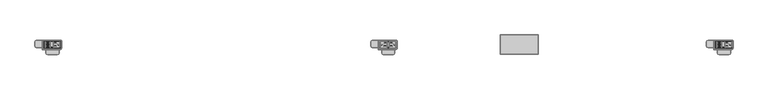
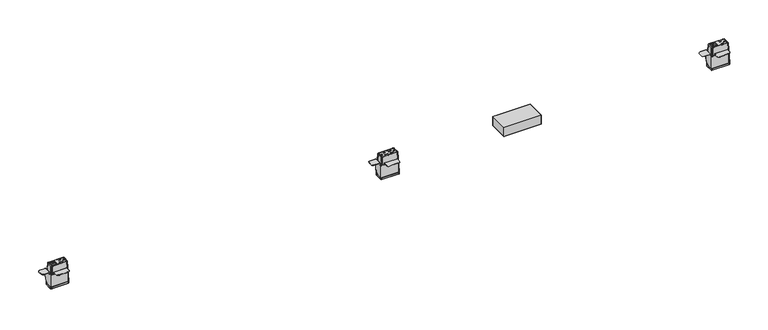
"""IFC4 building model written with IfcOpenShell, lengths in millimetres: furniture geometry."""

from ifc_helpers import new_model, si_unit, origin, place, context, project, spatial, triangles, source, transform, mapped, element, save


def furniture_85e596a5(model_context):
    return source(origin(), model_context, "Body", "Tessellation", [
        triangles([(-1384.2999516, -14.2235992, 2.189245), (-1360.8364128, -12.0812961, 2.2463646), (-1382.3914925, -12.0812961, 2.2463646), (-1382.3914925, 11.9785305, 2.1326152), (-1384.2999516, 14.2244009, 2.189245), (-1360.8364128, 11.9785305, 2.1326152), (-1360.8364128, -12.0836976, 1.7383702), (-1360.8364128, 11.9761279, 1.6246208), (-1382.3914925, -12.0836976, 1.7383702), (-1382.3914925, 11.9761279, 1.6246208), (-1363.6765011, 9.1385382, 2.146042), (-1363.6765011, -9.2413038, 2.2329377), (-1379.5515495, -9.2413038, 2.2329377), (-1379.5515495, 9.1385382, 2.146042), (-1379.5515495, 2.788609, 2.176063), (-1379.5515495, -2.8913751, 2.2029167), (-1363.6765011, -2.8913751, 2.2029167), (-1363.6765011, 2.788609, 2.176063), (-1363.6765011, 2.7549855, -4.9358577), (-1363.6765011, 9.1049147, -4.9658783), (-1379.5515495, 9.1050538, -4.9658794), (-1379.5515495, 2.7549855, -4.9358577), (-1363.6765011, -9.2749278, -4.8789826), (-1363.6765011, -2.9249986, -4.9090038), (-1379.5515495, -2.9248592, -4.9090044), (-1379.5515495, -9.2749278, -4.8789826), (-1347.3112209, -13.5884477, 2.2534901), (-1349.5972733, -11.3024726, 2.2426824), (-1349.5972733, 11.3032742, 2.1358076), (-1347.3112209, 13.5892493, 2.125), (-1324.705188, 13.5892493, 2.125), (-1323.0859554, 14.2244009, 2.189245), (-1322.419281, 11.3032742, 2.1358076), (-1320.038031, 11.1764004, 2.189245), (-1322.419281, -11.3024726, 2.2426824), (-1320.038031, -11.1755987, 2.189245), (-1324.705188, -13.5884477, 2.2534901), (-1323.0859554, -14.2235992, 2.189245), (-1387.3480213, -11.1755987, 2.189245), (-1387.3480213, 11.1764004, 2.189245), (-1322.419281, -11.3090742, 0.846303), (-1322.419281, 11.2966726, 0.7394281), (-1324.705188, 13.5826477, 0.7286206), (-1347.3112209, 13.5826477, 0.7286206), (-1349.5972733, 11.2966726, 0.7394281), (-1349.5972733, -11.3090742, 0.846303), (-1347.3112209, -13.5950493, 0.8571106), (-1324.705188, -13.5950493, 0.8571106), (-1344.974445, 4.5977495, 2.1675098), (-1344.974445, 4.5839428, -0.752813), (-1344.974445, 7.4425179, 2.1540604), (-1344.974445, 7.4287111, -0.7662625), (-1337.3036922, 4.5977495, 2.1675098), (-1337.3036922, 4.5839428, -0.752813), (-1337.3036922, 7.4425179, 2.1540604), (-1337.3036922, 7.4287111, -0.7662625), (-1328.2357864, 2.6165716, 2.1768763), (-1328.2357864, 2.6027651, -0.7434465), (-1325.9753139, 2.6027651, -0.7434465), (-1325.9753139, 2.6165716, 2.1768763), (-1329.2370335, 2.4174274, 2.1778179), (-1329.2370335, 2.403621, -0.742505), (-1330.0858189, 1.850313, 2.180499), (-1330.0858189, 1.8365063, -0.7398238), (-1330.6529354, 1.0015661, 2.1845118), (-1330.6529354, 0.9877594, -0.7358111), (-1330.8520512, 0.0004009, 2.189245), (-1330.8520512, -0.0134058, -0.7310778), (-1330.6529354, -1.0007643, 2.1939783), (-1330.6529354, -1.014571, -0.7263445), (-1330.0858189, -1.8495112, 2.1979911), (-1330.0858189, -1.8633178, -0.7223318), (-1329.2370335, -2.4166258, 2.2006722), (-1329.2370335, -2.4304322, -0.7196506), (-1328.2357864, -2.6157699, 2.2016136), (-1328.2357864, -2.6295764, -0.7187092), (-1325.9753139, -2.6157699, 2.2016136), (-1325.9753139, -2.6295764, -0.7187092), (-1336.6432674, -5.3081397, 2.2143427), (-1336.6432674, -5.3219465, -0.7059802), (-1336.6432674, -8.1667146, -0.6925308), (-1336.6432674, -8.1529078, 2.227792), (-1345.8887787, -5.3081397, 2.2143427), (-1345.8887787, -5.3219465, -0.7059802), (-1345.8887787, -8.1529078, 2.227792), (-1345.8887787, -8.1667146, -0.6925308), (-1388.2370659, -18.097099, -91.7907544), (-1388.2370659, 18.0979006, -91.7907544), (-1319.1489864, 18.0979006, -91.7907544), (-1319.1489864, -18.097099, -91.7907544), (-1316.101062, 15.0499012, -91.7907544), (-1316.101062, -15.0490996, -91.7907544), (-1316.509322, -16.5730993, -91.7907544), (-1316.509322, 16.5739009, -91.7907544), (-1317.6249516, -17.6887447, -91.7907544), (-1317.6249516, 17.6895464, -91.7907544), (-1389.7609554, -17.6887447, -91.7907544), (-1389.7609554, 17.6895464, -91.7907544), (-1390.876585, -16.5730993, -91.7907544), (-1390.876585, 16.5739009, -91.7907544), (-1391.2849903, -15.0490996, -91.7907544), (-1391.2849903, 15.0499012, -91.7907544), (-1385.8239864, 13.8160467, 2.189245), (-1386.939616, 12.7004012, 2.189245), (-1385.8239864, -13.815245, 2.189245), (-1386.939616, -12.6995996, 2.189245), (-1321.5620659, -13.815245, 2.189245), (-1320.446291, -12.6995996, 2.189245), (-1320.446291, 12.7004012, 2.189245), (-1321.5620659, 13.8160467, 2.189245), (-1316.101062, -15.0490996, -84.1707526), (-1316.509322, -16.5730993, -84.1707526), (-1317.6249516, -17.6887447, -84.1707526), (-1319.1489864, -18.097099, -84.1707526), (-1391.2849903, -15.0490996, -84.1707526), (-1390.876585, -16.5730993, -84.1707526), (-1389.7609554, -17.6887447, -84.1707526), (-1388.2370659, -18.097099, -84.1707526), (-1391.2849903, 15.0499012, -84.1707526), (-1390.876585, 16.5739009, -84.1707526), (-1389.7609554, 17.6895464, -84.1707526), (-1388.2370659, 18.0979006, -84.1707526), (-1316.101062, 15.0499012, -84.1707526), (-1316.509322, 16.5739009, -84.1707526), (-1317.6249516, 17.6895464, -84.1707526), (-1319.1489864, 18.0979006, -84.1707526), (-30.6070003, 14.2242669, 2.189245), (-30.6070003, 11.3032742, 2.0823701), (-28.3210002, 13.5892493, 2.0715626), (6.3817502, 13.5892493, 2.125), (-5.7150002, 13.5892493, 2.0715626), (-3.4290001, 11.3032742, 2.0823701), (4.0957501, 11.3032742, 2.1358076), (30.6070003, 14.2244009, 2.189245), (28.9877496, 13.5892493, 2.125), (4.0957501, -11.3024726, 2.2426824), (-3.4290001, -11.3024726, 2.189245), (-5.7150002, -13.5884477, 2.2000526), (6.3817502, -13.5884477, 2.2534901), (28.9877496, -13.5884477, 2.2534901), (-28.3210002, -13.5884477, 2.2000526), (-30.6070003, -14.2235992, 2.189245), (30.6070003, -14.2235992, 2.189245), (-30.6070003, -11.3024726, 2.189245), (-30.6070003, 11.3032867, 0.6859907), (-30.6070003, -11.3024726, 0.7928656), (-28.3210002, 13.5892482, 0.6751832), (-5.7150002, 13.589213, 0.6751832), (-3.4290001, 11.3031482, 0.6859907), (-3.4290001, -11.3024805, 0.7928656), (-5.7150002, -13.5884965, 0.8036732), (-28.3210002, -13.5884545, 0.8036732), (-8.0518, 7.4425179, 2.1006229), (-8.0518, 7.4287111, -0.8196999), (-8.0518, 4.5839428, -0.8062505), (-8.0518, 4.5977495, 2.1140724), (-15.7226004, 4.5977495, 2.1140724), (-15.7226004, 4.5839428, -0.8062505), (-15.7226004, 7.4425179, 2.1006229), (-15.7226004, 7.4287111, -0.8196999), (-27.0509992, 2.6165716, 2.1234389), (-27.0509992, 2.6027651, -0.7968839), (-24.7903995, 2.6027651, -0.7968839), (-24.7903995, 2.6165716, 2.1234389), (-23.7892229, 2.403621, -0.7959424), (-23.7892229, 2.4174274, 2.1243805), (-22.940467, 1.8365063, -0.7932612), (-22.940467, 1.850313, 2.1270616), (-22.3733459, 0.9877594, -0.7892485), (-22.3733459, 1.0015661, 2.1310744), (-22.1742007, -0.0134058, -0.7845153), (-22.1742007, 0.0004009, 2.1358076), (-22.3733459, -1.014571, -0.7797819), (-22.3733459, -1.0007643, 2.1405409), (-22.940467, -1.8633178, -0.7757692), (-22.940467, -1.8495112, 2.1445536), (-23.7892229, -2.4304322, -0.773088), (-23.7892229, -2.4166258, 2.1472348), (-24.7903995, -2.6295764, -0.7721466), (-24.7903995, -2.6157699, 2.1481762), (-27.0509992, -2.6295764, -0.7721466), (-27.0509992, -2.6157699, 2.1481762), (-16.3830003, -8.1529078, 2.1743546), (-16.3830003, -8.1667146, -0.7459682), (-16.3830003, -5.3219465, -0.7594176), (-16.3830003, -5.3081397, 2.1609052), (-7.1373999, -5.3219465, -0.7594176), (-7.1373999, -5.3081397, 2.1609052), (-7.1373999, -8.1667146, -0.7459682), (-7.1373999, -8.1529078, 2.1743546), (31.2737497, 11.3032742, 2.1358076), (33.6549997, 11.1764004, 2.189245), (31.2737497, -11.3024726, 2.2426824), (33.6549997, -11.1755987, 2.189245), (-33.6549997, -11.1755987, 2.189245), (-33.6549997, 11.1764004, 2.189245), (31.2737497, -11.3023783, 0.846303), (31.2737497, 11.3032095, 0.7394281), (28.9877496, 13.5891903, 0.7286206), (6.3817502, 13.5891233, 0.7286206), (4.0957501, 11.3032379, 0.7394281), (4.0957501, -11.3024601, 0.846303), (6.3817502, -13.5885987, 0.8571106), (28.9877496, -13.5884341, 0.8571106), (8.71855, 4.5977495, 2.1675098), (8.71855, 4.5839428, -0.752813), (8.71855, 7.4425179, 2.1540604), (8.71855, 7.4287111, -0.7662625), (16.3893498, 4.5977495, 2.1675098), (16.3893498, 4.5839428, -0.752813), (16.3893498, 7.4425179, 2.1540604), (16.3893498, 7.4287111, -0.7662625), (25.4571489, 2.6165716, 2.1768763), (25.4571489, 2.6027651, -0.7434465), (27.7177508, 2.6027651, -0.7434465), (27.7177508, 2.6165716, 2.1768763), (24.4559745, 2.4174274, 2.1778179), (24.4559745, 2.403621, -0.742505), (23.6072164, 1.850313, 2.180499), (23.6072164, 1.8365063, -0.7398238), (23.0400953, 1.0015661, 2.1845118), (23.0400953, 0.9877594, -0.7358111), (22.84095, 0.0004009, 2.189245), (22.84095, -0.0134058, -0.7310778), (23.0400953, -1.0007643, 2.1939783), (23.0400953, -1.014571, -0.7263445), (23.6072164, -1.8495112, 2.1979911), (23.6072164, -1.8633178, -0.7223318), (24.4559745, -2.4166258, 2.2006722), (24.4559745, -2.4304322, -0.7196506), (25.4571489, -2.6157699, 2.2016136), (25.4571489, -2.6295764, -0.7187092), (27.7177508, -2.6157699, 2.2016136), (27.7177508, -2.6295764, -0.7187092), (17.0497496, -5.3081397, 2.2143427), (17.0497496, -5.3219465, -0.7059802), (17.0497496, -8.1667146, -0.6925308), (17.0497496, -8.1529078, 2.227792), (7.8041498, -5.3081397, 2.2143427), (7.8041498, -5.3219465, -0.7059802), (7.8041498, -8.1529078, 2.227792), (7.8041498, -8.1667146, -0.6925308), (-34.5440011, -18.097099, -91.7907544), (-34.5440011, 18.0979006, -91.7907544), (34.5440011, 18.0979006, -91.7907544), (34.5440011, -18.097099, -91.7907544), (37.5920005, 15.0499012, -91.7907544), (37.5920005, -15.0490996, -91.7907544), (37.1836451, 16.5739009, -91.7907544), (37.1836451, -16.5730993, -91.7907544), (36.0679997, -17.6887447, -91.7907544), (36.0679997, 17.6895464, -91.7907544), (-36.0679997, -17.6887447, -91.7907544), (-36.0679997, 17.6895464, -91.7907544), (-37.1836451, -16.5730993, -91.7907544), (-37.1836451, 16.5739009, -91.7907544), (-37.5920005, -15.0490996, -91.7907544), (-37.5920005, 15.0499012, -91.7907544), (-32.1309989, 13.8160467, 2.189245), (-33.2466444, 12.7004012, 2.189245), (-32.1309989, -13.815245, 2.189245), (-33.2466444, -12.6995996, 2.189245), (32.1309989, -13.815245, 2.189245), (33.2466444, -12.6995996, 2.189245), (33.2466444, 12.7004012, 2.189245), (32.1309989, 13.8160467, 2.189245), (37.5920005, -15.0490996, -84.1707526), (37.1836451, -16.5730993, -84.1707526), (36.0679997, -17.6887447, -84.1707526), (34.5440011, -18.097099, -84.1707526), (-37.5920005, -15.0490996, -84.1707526), (-37.1836451, -16.5730993, -84.1707526), (-36.0679997, -17.6887447, -84.1707526), (-34.5440011, -18.097099, -84.1707526), (-37.5920005, 15.0499012, -84.1707526), (-37.1836451, 16.5739009, -84.1707526), (-36.0679997, 17.6895464, -84.1707526), (-34.5440011, 18.0979006, -84.1707526), (37.5920005, 15.0499012, -84.1707526), (37.1836451, 16.5739009, -84.1707526), (36.0679997, 17.6895464, -84.1707526), (34.5440011, 18.0979006, -84.1707526), (1323.0859554, -14.2235992, 2.189245), (1346.5494942, -12.0812961, 2.2463646), (1324.9944145, -12.0812961, 2.2463646), (1324.9944145, 11.9785305, 2.1326152), (1323.0859554, 14.2244009, 2.189245), (1346.5494942, 11.9785305, 2.1326152), (1346.5494942, -12.0836976, 1.7383702), (1346.5494942, 11.9761279, 1.6246208), (1324.9944145, -12.0836976, 1.7383702), (1324.9944145, 11.9761279, 1.6246208), (1343.7095512, 9.1385382, 2.146042), (1343.7095512, -9.2413038, 2.2329377), (1327.8345028, -9.2413038, 2.2329377), (1327.8345028, 9.1385382, 2.146042), (1327.8345028, 2.788609, 2.176063), (1327.8345028, -2.8913751, 2.2029167), (1343.7095512, -2.8913751, 2.2029167), (1343.7095512, 2.788609, 2.176063), (1343.7095512, 2.7549855, -4.9358577), (1343.7095512, 9.1049147, -4.9658783), (1327.8345028, 9.1050538, -4.9658794), (1327.8345028, 2.7549855, -4.9358577), (1343.7095512, -9.2749278, -4.8789826), (1343.7095512, -2.9249986, -4.9090038), (1327.8345028, -2.9248592, -4.9090044), (1327.8345028, -9.2749278, -4.8789826), (1360.0746861, -13.5884477, 2.2534901), (1357.7887791, -11.3024726, 2.2426824), (1357.7887791, 11.3032742, 2.1358076), (1360.0746861, 13.5892493, 2.125), (1382.680719, 13.5892493, 2.125), (1384.2999516, 14.2244009, 2.189245), (1384.9667713, 11.3032742, 2.1358076), (1387.3480213, 11.1764004, 2.189245), (1384.9667713, -11.3024726, 2.2426824), (1387.3480213, -11.1755987, 2.189245), (1382.680719, -13.5884477, 2.2534901), (1384.2999516, -14.2235992, 2.189245), (1320.038031, -11.1755987, 2.189245), (1320.038031, 11.1764004, 2.189245), (1384.9667713, -11.3090742, 0.846303), (1384.9667713, 11.2966726, 0.7394281), (1382.680719, 13.5826477, 0.7286206), (1360.0746861, 13.5826477, 0.7286206), (1357.7887791, 11.2966726, 0.7394281), (1357.7887791, -11.3090742, 0.846303), (1360.0746861, -13.5950493, 0.8571106), (1382.680719, -13.5950493, 0.8571106), (1362.4116074, 4.5977495, 2.1675098), (1362.4116074, 4.5839428, -0.752813), (1362.4116074, 7.4425179, 2.1540604), (1362.4116074, 7.4287111, -0.7662625), (1370.0823601, 4.5977495, 2.1675098), (1370.0823601, 4.5839428, -0.752813), (1370.0823601, 7.4425179, 2.1540604), (1370.0823601, 7.4287111, -0.7662625), (1379.1501205, 2.6165716, 2.1768763), (1379.1501205, 2.6027651, -0.7434465), (1381.4107384, 2.6027651, -0.7434465), (1381.4107384, 2.6165716, 2.1768763), (1378.1490189, 2.4174274, 2.1778179), (1378.1490189, 2.403621, -0.742505), (1377.3002335, 1.850313, 2.180499), (1377.3002335, 1.8365063, -0.7398238), (1376.7331169, 1.0015661, 2.1845118), (1376.7331169, 0.9877594, -0.7358111), (1376.5340012, 0.0004009, 2.189245), (1376.5340012, -0.0134058, -0.7310778), (1376.7331169, -1.0007643, 2.1939783), (1376.7331169, -1.014571, -0.7263445), (1377.3002335, -1.8495112, 2.1979911), (1377.3002335, -1.8633178, -0.7223318), (1378.1490189, -2.4166258, 2.2006722), (1378.1490189, -2.4304322, -0.7196506), (1379.1501205, -2.6157699, 2.2016136), (1379.1501205, -2.6295764, -0.7187092), (1381.4107384, -2.6157699, 2.2016136), (1381.4107384, -2.6295764, -0.7187092), (1370.7427849, -5.3081397, 2.2143427), (1370.7427849, -5.3219465, -0.7059802), (1370.7427849, -8.1667146, -0.6925308), (1370.7427849, -8.1529078, 2.227792), (1361.4971283, -5.3081397, 2.2143427), (1361.4971283, -5.3219465, -0.7059802), (1361.4971283, -8.1529078, 2.227792), (1361.4971283, -8.1667146, -0.6925308), (1319.1489864, -18.097099, -91.7907544), (1319.1489864, 18.0979006, -91.7907544), (1388.2370659, 18.0979006, -91.7907544), (1388.2370659, -18.097099, -91.7907544), (1391.2849903, 15.0499012, -91.7907544), (1391.2849903, -15.0490996, -91.7907544), (1390.876585, 16.5739009, -91.7907544), (1390.876585, -16.5730993, -91.7907544), (1389.7609554, 17.6895464, -91.7907544), (1389.7609554, -17.6887447, -91.7907544), (1317.6249516, -17.6887447, -91.7907544), (1317.6249516, 17.6895464, -91.7907544), (1316.509322, -16.5730993, -91.7907544), (1316.509322, 16.5739009, -91.7907544), (1316.101062, -15.0490996, -91.7907544), (1316.101062, 15.0499012, -91.7907544), (1321.5620659, 13.8160467, 2.189245), (1320.446291, 12.7004012, 2.189245), (1321.5620659, -13.815245, 2.189245), (1320.446291, -12.6995996, 2.189245), (1385.8239864, -13.815245, 2.189245), (1386.939616, -12.6995996, 2.189245), (1386.939616, 12.7004012, 2.189245), (1385.8239864, 13.8160467, 2.189245), (1391.2849903, -15.0490996, -84.1707526), (1390.876585, -16.5730993, -84.1707526), (1389.7609554, -17.6887447, -84.1707526), (1388.2370659, -18.097099, -84.1707526), (1316.101062, -15.0490996, -84.1707526), (1316.509322, -16.5730993, -84.1707526), (1317.6249516, -17.6887447, -84.1707526), (1319.1489864, -18.097099, -84.1707526), (1316.101062, 15.0499012, -84.1707526), (1316.509322, 16.5739009, -84.1707526), (1317.6249516, 17.6895464, -84.1707526), (1319.1489864, 18.0979006, -84.1707526), (1391.2849903, 15.0499012, -84.1707526), (1390.876585, 16.5739009, -84.1707526), (1389.7609554, 17.6895464, -84.1707526), (1388.2370659, 18.0979006, -84.1707526)], [[1, 2, 3], [4, 5, 1], [4, 1, 3], [6, 5, 4], [7, 8, 6], [7, 6, 2], [3, 9, 7], [3, 7, 2], [3, 4, 10], [3, 10, 9], [2, 6, 11], [2, 11, 12], [13, 3, 12], [3, 2, 12], [4, 3, 13], [4, 13, 14], [10, 4, 8], [4, 6, 8], [15, 16, 17], [15, 17, 18], [11, 6, 4], [11, 4, 14], [19, 20, 21], [19, 21, 22], [23, 24, 25], [23, 25, 26], [18, 11, 20], [18, 20, 19], [22, 15, 18], [22, 18, 19], [14, 15, 22], [14, 22, 21], [20, 11, 14], [20, 14, 21], [12, 17, 24], [12, 24, 23], [26, 13, 12], [26, 12, 23], [16, 13, 26], [16, 26, 25], [24, 17, 16], [24, 16, 25], [1, 27, 28], [1, 28, 2], [28, 29, 6], [28, 6, 2], [6, 29, 30], [6, 30, 5], [5, 30, 31], [5, 31, 32], [31, 33, 34], [31, 34, 32], [34, 33, 35], [34, 35, 36], [35, 37, 38], [35, 38, 36], [38, 37, 1], [37, 27, 1], [39, 1, 40], [1, 5, 40], [35, 28, 27], [35, 27, 37], [35, 41, 42], [35, 42, 33], [31, 33, 42], [31, 42, 43], [31, 43, 44], [31, 44, 30], [29, 30, 44], [29, 44, 45], [29, 45, 46], [29, 46, 28], [27, 28, 46], [27, 46, 47], [27, 47, 48], [27, 48, 37], [37, 48, 41], [37, 41, 35], [49, 50, 51], [50, 52, 51], [53, 54, 50], [53, 50, 49], [55, 56, 54], [55, 54, 53], [51, 52, 56], [51, 56, 55], [57, 58, 59], [57, 59, 60], [61, 62, 58], [61, 58, 57], [63, 64, 62], [63, 62, 61], [65, 66, 64], [65, 64, 63], [67, 68, 66], [67, 66, 65], [69, 70, 68], [69, 68, 67], [71, 72, 70], [71, 70, 69], [73, 74, 72], [73, 72, 71], [75, 76, 74], [75, 74, 73], [77, 78, 76], [77, 76, 75], [60, 59, 78], [60, 78, 77], [79, 80, 81], [79, 81, 82], [83, 84, 80], [83, 80, 79], [85, 86, 84], [85, 84, 83], [82, 81, 86], [82, 86, 85], [31, 30, 29], [31, 29, 33], [55, 33, 29], [55, 29, 51], [53, 49, 83], [53, 83, 79], [49, 51, 29], [49, 29, 83], [85, 83, 29], [85, 29, 28], [82, 85, 28], [82, 28, 35], [79, 82, 73], [82, 35, 73], [75, 73, 35], [75, 35, 77], [60, 77, 33], [77, 35, 33], [33, 60, 57], [33, 57, 61], [63, 61, 55], [61, 33, 55], [65, 63, 53], [63, 55, 53], [53, 79, 67], [53, 67, 65], [67, 79, 71], [67, 71, 69], [79, 73, 71], [87, 88, 89], [87, 89, 90], [91, 92, 93], [91, 93, 94], [94, 93, 95], [94, 95, 96], [96, 95, 90], [96, 90, 89], [88, 87, 97], [88, 97, 98], [98, 97, 99], [98, 99, 100], [100, 99, 101], [100, 101, 102], [40, 5, 103], [40, 103, 104], [105, 1, 106], [1, 39, 106], [36, 38, 107], [36, 107, 108], [34, 109, 110], [34, 110, 32], [111, 36, 108], [111, 108, 112], [112, 108, 107], [112, 107, 113], [113, 107, 38], [113, 38, 114], [92, 111, 112], [92, 112, 93], [93, 112, 113], [93, 113, 95], [95, 113, 114], [95, 114, 90], [115, 101, 116], [101, 99, 116], [116, 99, 117], [99, 97, 117], [117, 97, 118], [97, 87, 118], [39, 115, 116], [39, 116, 106], [106, 116, 117], [106, 117, 105], [105, 117, 118], [105, 118, 1], [119, 40, 104], [119, 104, 120], [120, 104, 103], [120, 103, 121], [121, 103, 5], [121, 5, 122], [102, 119, 120], [102, 120, 100], [100, 120, 121], [100, 121, 98], [98, 121, 122], [98, 122, 88], [123, 124, 109], [123, 109, 34], [124, 125, 110], [124, 110, 109], [125, 126, 32], [125, 32, 110], [91, 94, 124], [91, 124, 123], [94, 96, 125], [94, 125, 124], [96, 89, 126], [96, 126, 125], [122, 5, 32], [122, 32, 126], [38, 1, 118], [38, 118, 114], [123, 34, 36], [123, 36, 111], [115, 39, 40], [115, 40, 119], [119, 102, 101], [119, 101, 115], [118, 87, 114], [87, 90, 114], [111, 92, 91], [111, 91, 123], [126, 89, 88], [126, 88, 122], [127, 128, 129], [130, 131, 132], [130, 132, 133], [134, 127, 129], [134, 129, 135], [136, 137, 138], [136, 138, 139], [133, 132, 137], [133, 137, 136], [140, 141, 142], [140, 142, 143], [141, 138, 137], [141, 137, 144], [128, 145, 146], [128, 146, 144], [147, 145, 128], [147, 128, 129], [131, 148, 147], [131, 147, 129], [149, 148, 131], [149, 131, 132], [137, 150, 149], [137, 149, 132], [151, 150, 137], [151, 137, 138], [141, 152, 151], [141, 151, 138], [144, 146, 152], [144, 152, 141], [153, 154, 155], [153, 155, 156], [156, 155, 157], [155, 158, 157], [157, 158, 159], [158, 160, 159], [159, 160, 154], [159, 154, 153], [161, 162, 163], [161, 163, 164], [164, 163, 165], [164, 165, 166], [166, 165, 167], [166, 167, 168], [168, 167, 169], [168, 169, 170], [170, 169, 171], [170, 171, 172], [172, 171, 173], [172, 173, 174], [174, 173, 175], [174, 175, 176], [176, 175, 177], [176, 177, 178], [178, 177, 179], [178, 179, 180], [180, 179, 181], [180, 181, 182], [182, 181, 162], [182, 162, 161], [183, 184, 185], [183, 185, 186], [186, 185, 187], [186, 187, 188], [188, 187, 189], [188, 189, 190], [190, 189, 184], [190, 184, 183], [128, 132, 131], [128, 131, 129], [153, 132, 128], [153, 128, 159], [186, 188, 156], [186, 156, 157], [188, 132, 156], [132, 153, 156], [137, 132, 188], [137, 188, 190], [144, 137, 190], [144, 190, 183], [178, 144, 183], [178, 183, 186], [182, 144, 178], [182, 178, 180], [128, 144, 182], [128, 182, 161], [166, 164, 161], [166, 161, 128], [159, 128, 166], [159, 166, 168], [157, 159, 168], [157, 168, 170], [170, 172, 157], [172, 186, 157], [174, 176, 172], [176, 186, 172], [176, 178, 186], [142, 141, 144], [135, 191, 192], [135, 192, 134], [192, 191, 193], [192, 193, 194], [193, 140, 143], [193, 143, 194], [195, 142, 196], [142, 127, 196], [193, 136, 139], [193, 139, 140], [193, 197, 198], [193, 198, 191], [135, 191, 198], [135, 198, 199], [135, 199, 200], [135, 200, 130], [133, 130, 200], [133, 200, 201], [133, 201, 202], [133, 202, 136], [139, 136, 202], [139, 202, 203], [139, 203, 204], [139, 204, 140], [140, 204, 197], [140, 197, 193], [205, 206, 207], [206, 208, 207], [209, 210, 206], [209, 206, 205], [211, 212, 210], [211, 210, 209], [207, 208, 211], [208, 212, 211], [213, 214, 215], [213, 215, 216], [217, 218, 214], [217, 214, 213], [219, 220, 218], [219, 218, 217], [221, 222, 220], [221, 220, 219], [223, 224, 222], [223, 222, 221], [225, 226, 224], [225, 224, 223], [227, 228, 226], [227, 226, 225], [229, 230, 228], [229, 228, 227], [231, 232, 230], [231, 230, 229], [233, 234, 232], [233, 232, 231], [216, 215, 234], [216, 234, 233], [235, 236, 237], [235, 237, 238], [239, 240, 236], [239, 236, 235], [241, 242, 240], [241, 240, 239], [238, 237, 242], [238, 242, 241], [135, 130, 133], [135, 133, 191], [211, 191, 133], [211, 133, 207], [209, 205, 239], [209, 239, 235], [205, 207, 239], [207, 133, 239], [241, 239, 136], [239, 133, 136], [238, 241, 136], [238, 136, 193], [235, 238, 193], [235, 193, 229], [231, 229, 193], [231, 193, 233], [216, 233, 193], [216, 193, 191], [191, 216, 213], [191, 213, 217], [219, 217, 191], [219, 191, 211], [221, 219, 211], [221, 211, 209], [209, 235, 223], [209, 223, 221], [223, 235, 227], [223, 227, 225], [235, 229, 227], [243, 244, 245], [243, 245, 246], [247, 248, 249], [248, 250, 249], [249, 250, 251], [249, 251, 252], [252, 251, 246], [252, 246, 245], [244, 243, 253], [244, 253, 254], [254, 253, 255], [254, 255, 256], [256, 255, 257], [256, 257, 258], [196, 127, 259], [196, 259, 260], [261, 142, 262], [142, 195, 262], [194, 143, 263], [194, 263, 264], [192, 265, 266], [192, 266, 134], [267, 194, 268], [194, 264, 268], [268, 264, 263], [268, 263, 269], [269, 263, 143], [269, 143, 270], [248, 267, 250], [267, 268, 250], [250, 268, 269], [250, 269, 251], [251, 269, 270], [251, 270, 246], [271, 257, 255], [271, 255, 272], [272, 255, 253], [272, 253, 273], [273, 253, 274], [253, 243, 274], [195, 271, 272], [195, 272, 262], [262, 272, 273], [262, 273, 261], [261, 273, 274], [261, 274, 142], [275, 196, 276], [196, 260, 276], [276, 260, 259], [276, 259, 277], [277, 259, 127], [277, 127, 278], [258, 275, 256], [275, 276, 256], [256, 276, 277], [256, 277, 254], [254, 277, 278], [254, 278, 244], [279, 280, 192], [280, 265, 192], [280, 281, 266], [280, 266, 265], [281, 282, 134], [281, 134, 266], [247, 249, 279], [249, 280, 279], [249, 252, 281], [249, 281, 280], [252, 245, 282], [252, 282, 281], [278, 127, 134], [278, 134, 282], [143, 142, 274], [143, 274, 270], [279, 192, 194], [279, 194, 267], [271, 195, 196], [271, 196, 275], [275, 258, 257], [275, 257, 271], [274, 243, 246], [274, 246, 270], [267, 248, 247], [267, 247, 279], [282, 245, 244], [282, 244, 278], [283, 284, 285], [286, 287, 283], [286, 283, 285], [288, 287, 286], [289, 290, 288], [289, 288, 284], [285, 291, 289], [285, 289, 284], [285, 286, 292], [285, 292, 291], [284, 288, 293], [284, 293, 294], [295, 285, 284], [295, 284, 294], [286, 285, 295], [286, 295, 296], [292, 286, 288], [292, 288, 290], [297, 298, 299], [297, 299, 300], [293, 288, 296], [288, 286, 296], [301, 302, 303], [301, 303, 304], [305, 306, 307], [305, 307, 308], [300, 293, 302], [300, 302, 301], [304, 297, 300], [304, 300, 301], [296, 297, 304], [296, 304, 303], [302, 293, 296], [302, 296, 303], [294, 299, 306], [294, 306, 305], [308, 295, 294], [308, 294, 305], [298, 295, 308], [298, 308, 307], [306, 299, 298], [306, 298, 307], [283, 309, 310], [283, 310, 284], [310, 311, 284], [311, 288, 284], [288, 311, 312], [288, 312, 287], [287, 312, 313], [287, 313, 314], [313, 315, 316], [313, 316, 314], [316, 315, 317], [316, 317, 318], [317, 319, 320], [317, 320, 318], [320, 319, 309], [320, 309, 283], [321, 283, 287], [321, 287, 322], [317, 310, 319], [310, 309, 319], [317, 323, 324], [317, 324, 315], [313, 315, 324], [313, 324, 325], [313, 325, 326], [313, 326, 312], [311, 312, 326], [311, 326, 327], [311, 327, 328], [311, 328, 310], [309, 310, 328], [309, 328, 329], [309, 329, 330], [309, 330, 319], [319, 330, 323], [319, 323, 317], [331, 332, 333], [332, 334, 333], [335, 336, 332], [335, 332, 331], [337, 338, 336], [337, 336, 335], [333, 334, 338], [333, 338, 337], [339, 340, 341], [339, 341, 342], [343, 344, 340], [343, 340, 339], [345, 346, 344], [345, 344, 343], [347, 348, 346], [347, 346, 345], [349, 350, 348], [349, 348, 347], [351, 352, 350], [351, 350, 349], [353, 354, 352], [353, 352, 351], [355, 356, 354], [355, 354, 353], [357, 358, 356], [357, 356, 355], [359, 360, 358], [359, 358, 357], [342, 341, 360], [342, 360, 359], [361, 362, 363], [361, 363, 364], [365, 366, 362], [365, 362, 361], [367, 368, 366], [367, 366, 365], [364, 363, 368], [364, 368, 367], [313, 312, 311], [313, 311, 315], [337, 315, 333], [315, 311, 333], [335, 331, 365], [335, 365, 361], [331, 333, 365], [333, 311, 365], [367, 365, 310], [365, 311, 310], [364, 367, 317], [367, 310, 317], [361, 364, 317], [361, 317, 355], [357, 355, 359], [355, 317, 359], [342, 359, 317], [342, 317, 315], [315, 342, 343], [342, 339, 343], [345, 343, 315], [345, 315, 337], [347, 345, 337], [347, 337, 335], [335, 361, 349], [335, 349, 347], [349, 361, 353], [349, 353, 351], [361, 355, 353], [369, 370, 371], [369, 371, 372], [373, 374, 375], [374, 376, 375], [375, 376, 377], [376, 378, 377], [377, 378, 371], [378, 372, 371], [370, 369, 379], [370, 379, 380], [380, 379, 381], [380, 381, 382], [382, 381, 383], [382, 383, 384], [322, 287, 385], [322, 385, 386], [387, 283, 321], [387, 321, 388], [318, 320, 389], [318, 389, 390], [316, 391, 392], [316, 392, 314], [393, 318, 390], [393, 390, 394], [394, 390, 389], [394, 389, 395], [395, 389, 320], [395, 320, 396], [374, 393, 394], [374, 394, 376], [376, 394, 395], [376, 395, 378], [378, 395, 396], [378, 396, 372], [397, 383, 381], [397, 381, 398], [398, 381, 379], [398, 379, 399], [399, 379, 369], [399, 369, 400], [321, 397, 398], [321, 398, 388], [388, 398, 399], [388, 399, 387], [387, 399, 400], [387, 400, 283], [401, 322, 386], [401, 386, 402], [402, 386, 385], [402, 385, 403], [403, 385, 287], [403, 287, 404], [384, 401, 402], [384, 402, 382], [382, 402, 403], [382, 403, 380], [380, 403, 404], [380, 404, 370], [405, 406, 391], [405, 391, 316], [406, 407, 392], [406, 392, 391], [407, 408, 314], [407, 314, 392], [373, 375, 406], [373, 406, 405], [375, 377, 407], [375, 407, 406], [377, 371, 408], [377, 408, 407], [404, 287, 314], [404, 314, 408], [320, 283, 400], [320, 400, 396], [405, 316, 318], [405, 318, 393], [397, 321, 322], [397, 322, 401], [401, 384, 383], [401, 383, 397], [400, 369, 372], [400, 372, 396], [393, 374, 373], [393, 373, 405], [408, 371, 404], [371, 370, 404]], closed=False),
        triangles([(-1391.7928082, 16.0341912, -65.9811606), (-1391.7928082, 17.967651, -56.2610008), (-1391.7928082, 10.5281637, -74.2215143), (-1391.7928082, 2.2878106, -79.7275372), (-1391.7928082, 17.967651, -30.0990008), (-1391.7928082, -7.4323486, -81.6610039), (-1393.5708973, 2.2878106, -79.7275372), (-1393.5708973, 17.967651, -56.2610008), (-1393.5708973, 16.0341912, -65.9811606), (-1393.5708973, 10.5281637, -74.2215143), (-1393.5708973, -7.4323486, -81.6610039), (-1393.5708973, 17.967651, -30.0990008), (-1393.5708973, -20.0053491, -81.6610039), (-1391.7928082, -18.2273485, -81.6610039), (-1321.9428566, -18.2273485, -81.6610039), (-1321.9428566, -20.0053491, -81.6610039), (-1326.260907, -18.2273485, -30.0990008), (-1326.260907, -20.0053491, -30.0990008), (-1321.9428566, -18.2273485, -30.0990008), (-1321.9428566, -20.0053491, -30.0990008), (-1393.5708973, -20.0053491, -30.0990008), (-1391.7928082, -18.2273485, -30.0990008), (-1391.7928082, -11.4709489, -30.0990008), (-1393.5708973, -11.4709489, -30.0990008), (-1379.0928566, -20.0053491, -30.0990008), (-1379.0928566, -18.2273485, -30.0990008), (-1326.260907, -20.0053491, -25.0190011), (-1379.0928566, -20.0053491, -25.0190011), (-1326.260907, -34.7119483, -25.0190011), (-1379.0928566, -34.7119483, -25.0190011), (-1326.260907, -18.2273485, -23.2410005), (-1379.0928566, -18.2273485, -23.2410005), (-1379.0928566, -34.7119483, -23.2410005), (-1326.260907, -34.7119483, -23.2410005), (-1417.1928566, 17.967651, -25.0190011), (-1393.5708973, 17.967651, -25.0190011), (-1393.5708973, -11.4709489, -25.0190011), (-1417.1928566, -11.4709489, -25.0190011), (-1391.7928082, 17.967651, -23.2410005), (-1391.7928082, -11.4709489, -23.2410005), (-1417.1928566, 17.967651, -23.2410005), (-1417.1928566, -11.4709489, -23.2410005), (-1421.6829895, 16.1077797, -23.2410005), (-1421.6829895, -9.6110765, -23.2410005), (-1423.542905, 11.6176514, -23.2410005), (-1423.542905, -5.1209487, -23.2410005), (-1421.6829895, -9.6110765, -25.0190011), (-1421.6829895, 16.1077797, -25.0190011), (-1423.542905, -5.1209487, -25.0190011), (-1423.542905, 11.6176514, -25.0190011), (-1332.6108101, -41.0619467, -23.2410005), (-1328.1206772, -39.2020766, -23.2410005), (-1377.2329411, -39.2020766, -23.2410005), (-1372.7428082, -41.0619467, -23.2410005), (-1372.7428082, -41.0619467, -25.0190011), (-1377.2329411, -39.2020766, -25.0190011), (-1328.1206772, -39.2020766, -25.0190011), (-1332.6108101, -41.0619467, -25.0190011), (-38.0998637, 16.0341912, -65.9811606), (-38.0998637, 17.967651, -56.2610008), (-38.0998637, 10.5281637, -74.2215143), (-38.0998637, 2.2878106, -79.7275372), (-38.0998637, 17.967651, -30.0990008), (-38.0998637, -7.4323486, -81.6610039), (-39.877862, 2.2878106, -79.7275372), (-39.877862, 17.967651, -56.2610008), (-39.877862, 16.0341912, -65.9811606), (-39.877862, 10.5281637, -74.2215143), (-39.877862, -7.4323486, -81.6610039), (-39.877862, 17.967651, -30.0990008), (-39.877862, -20.0053491, -81.6610039), (-38.0998637, -18.2273485, -81.6610039), (31.7501378, -18.2273485, -81.6610039), (31.7501378, -20.0053491, -81.6610039), (27.4321373, -18.2273485, -30.0990008), (27.4321373, -20.0053491, -30.0990008), (31.7501378, -20.0053491, -30.0990008), (31.7501378, -18.2273485, -30.0990008), (-39.877862, -20.0053491, -30.0990008), (-38.0998637, -18.2273485, -30.0990008), (-38.0998637, -11.4709489, -30.0990008), (-39.877862, -11.4709489, -30.0990008), (-25.3998622, -20.0053491, -30.0990008), (-25.3998622, -18.2273485, -30.0990008), (27.4321373, -20.0053491, -25.0190011), (-25.3998622, -20.0053491, -25.0190011), (27.4321373, -34.7119483, -25.0190011), (-25.3998622, -34.7119483, -25.0190011), (27.4321373, -18.2273485, -23.2410005), (-25.3998622, -18.2273485, -23.2410005), (27.4321373, -34.7119483, -23.2410005), (-25.3998622, -34.7119483, -23.2410005), (-63.4998622, 17.967651, -25.0190011), (-39.877862, 17.967651, -25.0190011), (-39.877862, -11.4709489, -25.0190011), (-63.4998622, -11.4709489, -25.0190011), (-38.0998637, 17.967651, -23.2410005), (-38.0998637, -11.4709489, -23.2410005), (-63.4998622, 17.967651, -23.2410005), (-63.4998622, -11.4709489, -23.2410005), (-67.9899906, 16.1077797, -23.2410005), (-67.9899906, -9.6110765, -23.2410005), (-69.8498653, 11.6176514, -23.2410005), (-69.8498653, -5.1209487, -23.2410005), (-67.9899906, -9.6110765, -25.0190011), (-67.9899906, 16.1077797, -25.0190011), (-69.8498653, -5.1209487, -25.0190011), (-69.8498653, 11.6176514, -25.0190011), (21.0821366, -41.0619467, -23.2410005), (25.572265, -39.2020766, -23.2410005), (-19.0498626, -41.0619467, -23.2410005), (-23.5399921, -39.2020766, -23.2410005), (-19.0498626, -41.0619467, -25.0190011), (-23.5399921, -39.2020766, -25.0190011), (21.0821366, -41.0619467, -25.0190011), (25.572265, -39.2020766, -25.0190011), (1315.5930988, 16.0341912, -65.9811606), (1315.5930988, 17.967651, -56.2610008), (1315.5930988, 10.5281637, -74.2215143), (1315.5930988, 2.2878106, -79.7275372), (1315.5930988, 17.967651, -30.0990008), (1315.5930988, -7.4323486, -81.6610039), (1313.815155, 2.2878106, -79.7275372), (1313.815155, 17.967651, -56.2610008), (1313.815155, 16.0341912, -65.9811606), (1313.815155, 10.5281637, -74.2215143), (1313.815155, -7.4323486, -81.6610039), (1313.815155, 17.967651, -30.0990008), (1313.815155, -20.0053491, -81.6610039), (1315.5930988, -18.2273485, -81.6610039), (1385.4431957, -18.2273485, -81.6610039), (1385.4431957, -20.0053491, -81.6610039), (1381.1251453, -18.2273485, -30.0990008), (1381.1251453, -20.0053491, -30.0990008), (1385.4431957, -20.0053491, -30.0990008), (1385.4431957, -18.2273485, -30.0990008), (1313.815155, -20.0053491, -30.0990008), (1315.5930988, -18.2273485, -30.0990008), (1315.5930988, -11.4709489, -30.0990008), (1313.815155, -11.4709489, -30.0990008), (1328.2931957, -20.0053491, -30.0990008), (1328.2931957, -18.2273485, -30.0990008), (1381.1251453, -20.0053491, -25.0190011), (1328.2931957, -20.0053491, -25.0190011), (1381.1251453, -34.7119483, -25.0190011), (1328.2931957, -34.7119483, -25.0190011), (1381.1251453, -18.2273485, -23.2410005), (1328.2931957, -18.2273485, -23.2410005), (1381.1251453, -34.7119483, -23.2410005), (1328.2931957, -34.7119483, -23.2410005), (1290.1931957, 17.967651, -25.0190011), (1313.815155, 17.967651, -25.0190011), (1313.815155, -11.4709489, -25.0190011), (1290.1931957, -11.4709489, -25.0190011), (1315.5930988, 17.967651, -23.2410005), (1315.5930988, -11.4709489, -23.2410005), (1290.1931957, 17.967651, -23.2410005), (1290.1931957, -11.4709489, -23.2410005), (1285.7030628, 16.1077797, -23.2410005), (1285.7030628, -9.6110765, -23.2410005), (1283.8431473, 11.6176514, -23.2410005), (1283.8431473, -5.1209487, -23.2410005), (1285.7030628, -9.6110765, -25.0190011), (1285.7030628, 16.1077797, -25.0190011), (1283.8431473, -5.1209487, -25.0190011), (1283.8431473, 11.6176514, -25.0190011), (1374.7750969, -41.0619467, -23.2410005), (1379.2652298, -39.2020766, -23.2410005), (1330.1529659, -39.2020766, -23.2410005), (1334.6430988, -41.0619467, -23.2410005), (1334.6430988, -41.0619467, -25.0190011), (1330.1529659, -39.2020766, -25.0190011), (1379.2652298, -39.2020766, -25.0190011), (1374.7750969, -41.0619467, -25.0190011), (605.7899855, -39.3699988, -62.1070784), (453.3899855, -39.3699988, -62.1070784), (453.3899855, 39.3699988, -62.1070784), (605.7899855, 39.3699988, -62.1070784), (605.7899855, -39.3699988, -24.0070784), (605.7899855, 39.3699988, -24.0070784), (453.3899855, 39.3699988, -24.0070784), (453.3899855, -39.3699988, -24.0070784)], [[1, 2, 3], [2, 4, 3], [2, 5, 4], [5, 6, 4], [7, 8, 9], [7, 9, 10], [11, 12, 8], [11, 8, 7], [2, 1, 9], [2, 9, 8], [1, 3, 10], [1, 10, 9], [3, 4, 7], [3, 7, 10], [4, 6, 11], [4, 11, 7], [13, 14, 15], [13, 15, 16], [13, 11, 6], [13, 6, 14], [17, 18, 19], [18, 20, 19], [21, 22, 23], [21, 23, 24], [21, 25, 26], [21, 26, 22], [18, 27, 28], [18, 28, 25], [29, 30, 28], [29, 28, 27], [31, 32, 33], [31, 33, 34], [31, 17, 26], [31, 26, 32], [35, 36, 37], [35, 37, 38], [12, 24, 37], [12, 37, 36], [39, 40, 23], [39, 23, 5], [39, 41, 42], [39, 42, 40], [43, 44, 41], [44, 42, 41], [45, 46, 43], [46, 44, 43], [47, 48, 38], [48, 35, 38], [49, 50, 47], [50, 48, 47], [51, 52, 53], [51, 53, 54], [52, 34, 33], [52, 33, 53], [55, 56, 57], [55, 57, 58], [56, 30, 29], [56, 29, 57], [52, 57, 34], [57, 29, 34], [51, 58, 52], [58, 57, 52], [53, 56, 54], [56, 55, 54], [33, 30, 53], [30, 56, 53], [43, 48, 50], [43, 50, 45], [41, 35, 48], [41, 48, 43], [44, 47, 42], [47, 38, 42], [46, 49, 44], [49, 47, 44], [17, 31, 27], [17, 27, 18], [34, 29, 27], [34, 27, 31], [54, 55, 51], [55, 58, 51], [32, 28, 30], [32, 30, 33], [32, 26, 25], [32, 25, 28], [23, 40, 37], [23, 37, 24], [42, 38, 40], [38, 37, 40], [45, 50, 49], [45, 49, 46], [39, 36, 35], [39, 35, 41], [8, 36, 2], [36, 39, 2], [5, 22, 14], [5, 14, 6], [19, 15, 14], [19, 14, 22], [19, 20, 16], [19, 16, 15], [21, 13, 16], [21, 16, 20], [21, 12, 11], [21, 11, 13], [59, 60, 61], [60, 62, 61], [60, 63, 62], [63, 64, 62], [65, 66, 67], [65, 67, 68], [69, 70, 66], [69, 66, 65], [60, 59, 67], [60, 67, 66], [59, 61, 68], [59, 68, 67], [61, 62, 65], [61, 65, 68], [62, 64, 69], [62, 69, 65], [71, 72, 73], [71, 73, 74], [71, 69, 64], [71, 64, 72], [75, 76, 77], [75, 77, 78], [79, 80, 81], [79, 81, 82], [79, 83, 84], [79, 84, 80], [76, 85, 86], [76, 86, 83], [87, 88, 86], [87, 86, 85], [89, 90, 91], [90, 92, 91], [89, 75, 84], [89, 84, 90], [93, 94, 95], [93, 95, 96], [70, 82, 95], [70, 95, 94], [97, 98, 81], [97, 81, 63], [97, 99, 98], [99, 100, 98], [101, 102, 100], [101, 100, 99], [103, 104, 101], [104, 102, 101], [105, 106, 93], [105, 93, 96], [107, 108, 105], [108, 106, 105], [109, 110, 111], [110, 112, 111], [110, 91, 92], [110, 92, 112], [113, 114, 115], [114, 116, 115], [114, 88, 87], [114, 87, 116], [110, 116, 87], [110, 87, 91], [109, 115, 116], [109, 116, 110], [112, 114, 113], [112, 113, 111], [92, 88, 114], [92, 114, 112], [101, 106, 108], [101, 108, 103], [99, 93, 106], [99, 106, 101], [102, 105, 100], [105, 96, 100], [104, 107, 105], [104, 105, 102], [75, 89, 85], [75, 85, 76], [91, 87, 85], [91, 85, 89], [111, 113, 115], [111, 115, 109], [90, 86, 88], [90, 88, 92], [90, 84, 83], [90, 83, 86], [81, 98, 95], [81, 95, 82], [100, 96, 95], [100, 95, 98], [103, 108, 107], [103, 107, 104], [97, 94, 93], [97, 93, 99], [66, 94, 97], [66, 97, 60], [63, 80, 72], [63, 72, 64], [78, 73, 72], [78, 72, 80], [78, 77, 74], [78, 74, 73], [79, 71, 74], [79, 74, 77], [79, 70, 69], [79, 69, 71], [117, 118, 119], [118, 120, 119], [118, 121, 120], [121, 122, 120], [123, 124, 125], [123, 125, 126], [127, 128, 124], [127, 124, 123], [118, 117, 124], [117, 125, 124], [117, 119, 125], [119, 126, 125], [119, 120, 126], [120, 123, 126], [120, 122, 123], [122, 127, 123], [129, 130, 131], [129, 131, 132], [129, 127, 122], [129, 122, 130], [133, 134, 135], [133, 135, 136], [137, 138, 139], [137, 139, 140], [137, 141, 142], [137, 142, 138], [134, 143, 144], [134, 144, 141], [145, 146, 144], [145, 144, 143], [147, 148, 149], [148, 150, 149], [147, 133, 148], [133, 142, 148], [151, 152, 153], [151, 153, 154], [128, 140, 153], [128, 153, 152], [155, 156, 139], [155, 139, 121], [155, 157, 158], [155, 158, 156], [159, 160, 158], [159, 158, 157], [161, 162, 160], [161, 160, 159], [163, 164, 151], [163, 151, 154], [165, 166, 164], [165, 164, 163], [167, 168, 169], [167, 169, 170], [168, 149, 150], [168, 150, 169], [171, 172, 173], [171, 173, 174], [172, 146, 145], [172, 145, 173], [168, 173, 145], [168, 145, 149], [167, 174, 173], [167, 173, 168], [169, 172, 171], [169, 171, 170], [150, 146, 172], [150, 172, 169], [159, 164, 161], [164, 166, 161], [157, 151, 159], [151, 164, 159], [160, 163, 154], [160, 154, 158], [162, 165, 163], [162, 163, 160], [133, 147, 143], [133, 143, 134], [149, 145, 143], [149, 143, 147], [170, 171, 174], [170, 174, 167], [148, 144, 146], [148, 146, 150], [148, 142, 141], [148, 141, 144], [139, 156, 153], [139, 153, 140], [158, 154, 153], [158, 153, 156], [161, 166, 165], [161, 165, 162], [155, 152, 157], [152, 151, 157], [124, 152, 155], [124, 155, 118], [121, 138, 130], [121, 130, 122], [136, 131, 130], [136, 130, 138], [136, 135, 132], [136, 132, 131], [137, 129, 132], [137, 132, 135], [137, 128, 127], [137, 127, 129], [175, 176, 177], [175, 177, 178], [179, 180, 181], [179, 181, 182], [181, 177, 176], [181, 176, 182], [181, 180, 178], [181, 178, 177], [179, 175, 178], [179, 178, 180], [179, 182, 176], [179, 176, 175]], closed=False),
    ])


if __name__ == "__main__":
    model = new_model("IFC4")
    model_context = context("Model", 3, world=origin())
    ifc_project = project(units=[si_unit("LENGTHUNIT", "METRE", prefix="MILLI")], contexts=[model_context])
    site = spatial("IfcSite", under=ifc_project)
    building = spatial("IfcBuilding", under=site)
    placement = place(None, origin())
    furniture_shape = furniture_85e596a5(model_context)
    element("IfcFurniture", 1, at=placement, inside=building, context=model_context, shape_type="MappedRepresentation", body=[
        mapped(furniture_shape, transform((0.0, 0.0, 0.0), x_axis=(1.0, 0.0, 0.0), y_axis=(0.0, 1.0, 0.0), z_axis=(0.0, 0.0, 1.0))),
    ])
    save(model, "model.ifc")
